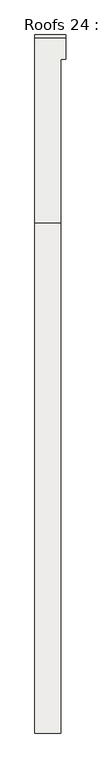
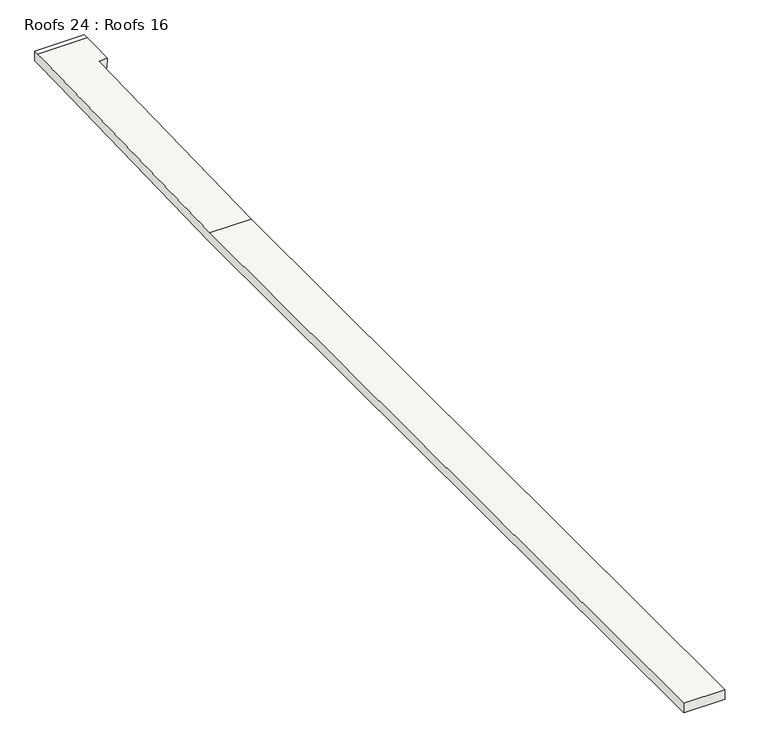
"""IFC4 building model written with IfcOpenShell, lengths in millimetres: roof geometry, Roofs 24 : Roofs 16."""

import ifcopenshell
import ifcopenshell.guid

model = None  # the IFC model being written
_history = None  # IfcOwnerHistory: only IFC2X3 demands one
_inside = {}  # id of a spatial element -> (the spatial element, [elements in it])
_under = {}  # id of a project, library or spatial element -> (it, [spatial elements below it])
_declared = {}  # id of a project -> (the project, [libraries it declares])
_typed = {}  # id of a type object -> (the type object, [elements of that type])
_made_of = {}  # id of a material, layer set ... -> (it, [elements and type objects made of it])


def new_model(schema):
    """Start an empty IFC model of exactly this schema.

    Asked for "IFC4X3", IfcOpenShell would pick the latest addendum, in which some entities
    have other attributes; the version numbers below select the first issue.
    IFC2X3 requires an IfcOwnerHistory on every rooted entity: one is made here for all.
    """
    global model, _history
    if schema == "IFC4X3":
        model = ifcopenshell.file(schema_version=(4, 3, 0, 0))
    else:
        model = ifcopenshell.file(schema=schema)
    _inside.clear()
    _under.clear()
    _declared.clear()
    _typed.clear()
    _made_of.clear()
    _history = None
    if model.schema == "IFC2X3":
        org = make("IfcOrganization", Name="unknown")
        user = make(
            "IfcPersonAndOrganization",
            ThePerson=make("IfcPerson", FamilyName="unknown"),
            TheOrganization=org,
        )
        app = make(
            "IfcApplication",
            ApplicationDeveloper=org,
            Version="unknown",
            ApplicationFullName="unknown",
            ApplicationIdentifier="unknown",
        )
        _history = make(
            "IfcOwnerHistory",
            OwningUser=user,
            OwningApplication=app,
            ChangeAction="ADDED",
            CreationDate=0,
        )
    return model


def make(cls, **values):
    """One entity of the class cls with the attributes given. An attribute that is None is left unset."""
    return model.create_entity(
        cls, **{name: value for name, value in values.items() if value is not None}
    )


def rooted(cls, **values):
    """An entity with a GlobalId (a new one), such as an element, a storey or a relation."""
    return make(cls, GlobalId=ifcopenshell.guid.new(), OwnerHistory=_history, **values)


def si_unit(unit_type, name, prefix=None):
    """IfcSIUnit, for example si_unit("LENGTHUNIT", "METRE", prefix="MILLI")."""
    return make("IfcSIUnit", UnitType=unit_type, Prefix=prefix, Name=name)


def assignment(units):
    """IfcUnitAssignment: the units of a project."""
    return None if units is None else make("IfcUnitAssignment", Units=units)


def point(xyz):
    """IfcCartesianPoint."""
    return None if xyz is None else make("IfcCartesianPoint", Coordinates=xyz)


def direction(xyz):
    """IfcDirection."""
    return None if xyz is None else make("IfcDirection", DirectionRatios=xyz)


def frame(location, z_axis=None, x_axis=None):
    """IfcAxis2Placement3D, a coordinate frame: its origin and axes. An axis left out is left unset."""
    return make(
        "IfcAxis2Placement3D",
        Location=point(location),
        Axis=direction(z_axis),
        RefDirection=direction(x_axis),
    )


def origin():
    """The frame at (0, 0, 0) with its axes left unset."""
    return frame((0.0, 0.0, 0.0))


def place(relative_to, where):
    """IfcLocalPlacement: puts the frame where relative to a parent placement (None: the world)."""
    return make(
        "IfcLocalPlacement", PlacementRelTo=relative_to, RelativePlacement=where
    )


def context(
    kind, dimensions, precision=None, world=None, true_north=None, identifier=None
):
    """IfcGeometricRepresentationContext, for example the 3D "Model" context."""
    return make(
        "IfcGeometricRepresentationContext",
        ContextIdentifier=identifier,
        ContextType=kind,
        CoordinateSpaceDimension=dimensions,
        Precision=precision,
        WorldCoordinateSystem=world,
        TrueNorth=true_north,
    )


def project(units=None, contexts=None):
    """IfcProject with its units and contexts."""
    return rooted(
        "IfcProject",
        Name="project",
        RepresentationContexts=contexts,
        UnitsInContext=assignment(units),
    )


def spatial(cls, under=None, at=None, **own):
    """A site, building, storey or space (cls), placed at a placement, below another one or the project."""
    s = rooted(cls, ObjectPlacement=at, **own)
    if under is not None:
        _under.setdefault(under.id(), (under, []))[1].append(s)
    return s


def faces_of(points, faces, orient=None, outer=None):
    """IfcFace entities. A face is a list of loops; a loop is a list of indices into points, from 0.

    orient and outer hold one flag for each loop. By default every Orientation is true, the
    first loop of a face is its IfcFaceOuterBound and the others are IfcFaceBound.
    """
    made = []
    for i, loops in enumerate(faces):
        bounds = []
        for j, loop in enumerate(loops):
            is_outer = j == 0 if outer is None else outer[i][j]
            bounds.append(
                make(
                    "IfcFaceOuterBound" if is_outer else "IfcFaceBound",
                    Bound=make("IfcPolyLoop", Polygon=[points[k] for k in loop]),
                    Orientation=True if orient is None else orient[i][j],
                )
            )
        made.append(make("IfcFace", Bounds=bounds))
    return made


def faceted_brep(points, faces, orient=None, outer=None, voids=None):
    """IfcFacetedBrep: a solid bounded by flat faces; with voids (closed shells), ...WithVoids."""
    shared = [point(p) for p in points]
    hull = make("IfcClosedShell", CfsFaces=faces_of(shared, faces, orient, outer))
    if voids is None:
        return make("IfcFacetedBrep", Outer=hull)
    return make(
        "IfcFacetedBrepWithVoids",
        Outer=hull,
        Voids=[
            make(cls, CfsFaces=faces_of(shared, fs, o, b)) for cls, fs, o, b in voids
        ],
    )


def shape(context_of_items, identifier, shape_type, items):
    """IfcShapeRepresentation: the items that make up one representation, for example the "Body"."""
    return make(
        "IfcShapeRepresentation",
        ContextOfItems=context_of_items,
        RepresentationIdentifier=identifier,
        RepresentationType=shape_type,
        Items=items,
    )


def source(mapping_origin, context_of_items, identifier, shape_type, items):
    """IfcRepresentationMap: a shape defined once, which mapped items show again and again."""
    return make(
        "IfcRepresentationMap",
        MappingOrigin=mapping_origin,
        MappedRepresentation=shape(context_of_items, identifier, shape_type, items),
    )


def transform(
    local_origin,
    x_axis=None,
    y_axis=None,
    z_axis=None,
    scale=None,
    scale2=None,
    scale3=None,
    uniform=True,
):
    """IfcCartesianTransformationOperator3D, or its non-uniform kind. x_axis, y_axis, z_axis: its Axis1, 2, 3."""
    if uniform:
        return make(
            "IfcCartesianTransformationOperator3D",
            Axis1=direction(x_axis),
            Axis2=direction(y_axis),
            LocalOrigin=point(local_origin),
            Scale=scale,
            Axis3=direction(z_axis),
        )
    return make(
        "IfcCartesianTransformationOperator3DnonUniform",
        Axis1=direction(x_axis),
        Axis2=direction(y_axis),
        LocalOrigin=point(local_origin),
        Scale=scale,
        Axis3=direction(z_axis),
        Scale2=scale2,
        Scale3=scale3,
    )


def mapped(mapping_source, mapping_target):
    """IfcMappedItem: shows the shape of a source again, moved by a transform."""
    return make(
        "IfcMappedItem", MappingSource=mapping_source, MappingTarget=mapping_target
    )


def made_of(thing, what):
    """Note that an element or type object is made of a material, layer set ...; save() writes the relation."""
    if what is not None:
        _made_of.setdefault(what.id(), (what, []))[1].append(thing)
    return thing


def element(
    cls,
    number,
    at=None,
    inside=None,
    cuts=None,
    type_object=None,
    material=None,
    context=None,
    identifier="Body",
    shape_type=None,
    held_by="IfcProductDefinitionShape",
    body=None,
    shapes=None,
    **own,
):
    """One element of the class cls, such as IfcWall. Its Tag is "e" and its number.

    at: its placement. inside: the storey or other place that contains it. cuts: it is an
    opening in that element (IfcRelVoidsElement). A single representation is given by context,
    identifier, shape_type and body (its items); several are given by shapes. held_by: the class
    of the entity that holds the representations. save() writes the other relations.
    """
    e = rooted(cls, Tag="e%d" % number, ObjectPlacement=at, **own)
    if body is not None:
        shapes = [shape(context, identifier, shape_type, body)]
    if shapes is not None:
        e.Representation = make(held_by, Representations=shapes)
    if inside is not None:
        _inside.setdefault(inside.id(), (inside, []))[1].append(e)
    if cuts is not None:
        rooted(
            "IfcRelVoidsElement", RelatingBuildingElement=cuts, RelatedOpeningElement=e
        )
    if type_object is not None:
        _typed.setdefault(type_object.id(), (type_object, []))[1].append(e)
    return made_of(e, material)


def aggregate(whole, parts):
    """IfcRelAggregates: a whole, such as a stair, and the parts it consists of."""
    return rooted("IfcRelAggregates", RelatingObject=whole, RelatedObjects=parts)


def save(model, path):
    """Write the relations noted so far, then the file.

    IfcRelAggregates (storeys below a building ...), IfcRelContainedInSpatialStructure (elements
    in a storey), IfcRelDefinesByType, IfcRelAssociatesMaterial and IfcRelDeclares: one each for
    every whole, place, type object, material and project.
    """
    for whole, parts in _under.values():
        aggregate(whole, parts)
    for where, things in _inside.values():
        rooted(
            "IfcRelContainedInSpatialStructure",
            RelatedElements=things,
            RelatingStructure=where,
        )
    for kind, things in _typed.values():
        rooted("IfcRelDefinesByType", RelatedObjects=things, RelatingType=kind)
    for what, things in _made_of.values():
        rooted("IfcRelAssociatesMaterial", RelatedObjects=things, RelatingMaterial=what)
    for by, libraries in _declared.values():
        rooted("IfcRelDeclares", RelatingContext=by, RelatedDefinitions=libraries)
    model.write(path)


def roofs_24_roofs_16_61fd5893(model_context):
    return source(origin(), model_context, "Body", "Brep", [
        faceted_brep([(-25930.0603773, 28057.3698813, -2070.1), (-26342.8103773, 28057.3698813, -2070.1), (-26342.8103773, 28057.3698813, -2171.7), (-25930.0603773, 28057.3698813, -2171.7), (-25930.0603773, 36267.1102578, -2171.7), (-25930.0603773, 38905.9181988, -2100.293143), (-25930.0603773, 38903.1698813, -1998.7303213), (-25930.0603773, 36265.7358476, -2070.1), (-26342.8103773, 36267.1102578, -2171.7), (-26342.8103773, 36265.7358476, -2070.1), (-26342.8103773, 39119.0698813, -1992.8880089), (-26342.8103773, 39245.8895902, -1989.4562333), (-26342.8103773, 39296.6710011, -1989.4562333), (-26342.8103773, 39296.6710011, -2091.0562333), (-26342.8103773, 39247.2640004, -2091.0562333), (-26342.8103773, 38903.1698813, -2100.3675133), (-25847.5103773, 38903.1698813, -1998.7303213), (-25847.5103773, 39119.0698813, -1992.8880089), (-25847.5103773, 39245.8895902, -1989.4562333), (-25847.5103773, 39247.2640004, -2091.0562333), (-25847.5103773, 38938.13267, -2099.4214107), (-25847.5103773, 38905.9181988, -2100.293143), (-25847.5103773, 39296.6710011, -1989.4562333), (-25847.5103773, 39296.6710011, -2091.0562333)], [[[0, 1, 2, 3]], [[0, 3, 4, 5, 6, 7]], [[3, 2, 8, 4]], [[2, 1, 9, 10, 11, 12, 13, 14, 15, 8]], [[1, 0, 7, 9]], [[7, 6, 16, 17, 18, 11, 10, 9]], [[5, 4, 8, 15, 14, 19, 20, 21]], [[22, 23, 13, 12]], [[21, 16, 6, 5]], [[22, 12, 11, 18]], [[13, 23, 19, 14]], [[23, 22, 18, 17, 16, 21, 20, 19]]]),
    ])


if __name__ == "__main__":
    model = new_model("IFC4")
    model_context = context("Model", 3, world=origin())
    ifc_project = project(units=[si_unit("LENGTHUNIT", "METRE", prefix="MILLI")], contexts=[model_context])
    site = spatial("IfcSite", under=ifc_project)
    building = spatial("IfcBuilding", under=site)
    placement = place(None, origin())
    roofs_24_roofs_16_shape = roofs_24_roofs_16_61fd5893(model_context)
    element("IfcRoof", 1, ObjectType="Roofs 24 : Roofs 16", at=placement, inside=building, context=model_context, shape_type="MappedRepresentation", body=[
        mapped(roofs_24_roofs_16_shape, transform((0.0, 0.0, 0.0), x_axis=(1.0, 0.0, 0.0), y_axis=(0.0, 1.0, 0.0), z_axis=(0.0, 0.0, 1.0))),
    ])
    save(model, "model.ifc")
